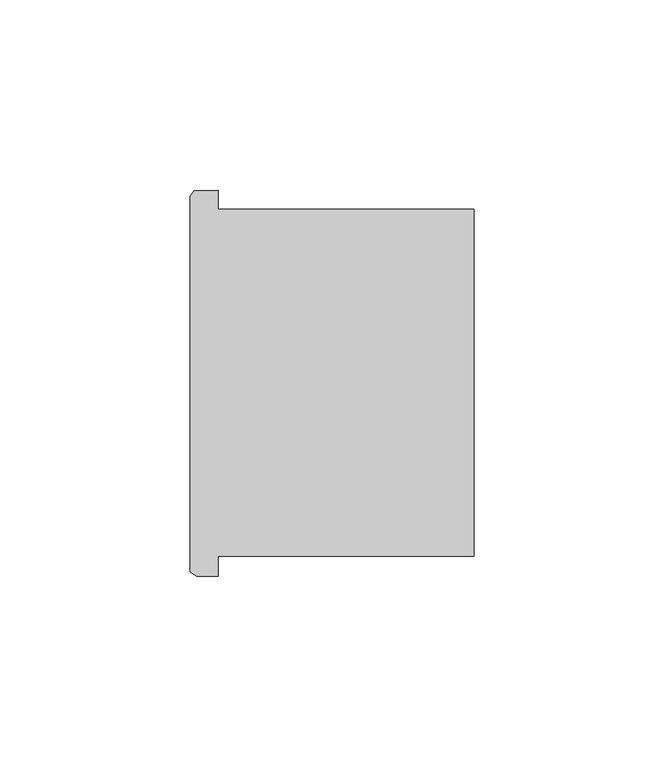
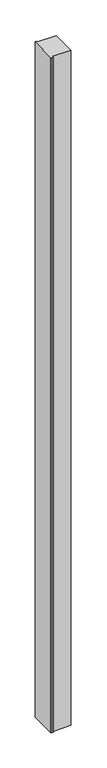
"""IFC4 building model written with IfcOpenShell, lengths in millimetres: column geometry."""

from ifc_helpers import new_model, si_unit, frame, origin, place, context, project, spatial, polyline, outline, extrude, source, transform, mapped, element, save


def column_2605b105(model_context):
    return source(origin(), model_context, "Body", "SweptSolid", [
        extrude(outline(polyline([(84638.3376572, -51474.4890752), (84638.3376572, -51479.5833246), (84705.6203522, -51479.5833246), (84705.6203522, -51570.7901526), (84638.3376572, -51570.7901526), (84638.3376572, -51576.0890752), (84632.6263656, -51576.0890752), (84630.8652312, -51574.8550416), (84630.8652312, -51476.132379), (84631.9442486, -51474.6440914), (84638.3376572, -51474.4890752)])), frame((0.0, 0.0, 4419.602032), z_axis=(0.0, 0.0, 1.0), x_axis=(1.0, 0.0, 0.0)), (0.0, 0.0, 1.0), 2590.7999488),
        extrude(outline(polyline([(84638.3376572, -51474.4890752), (84638.3376572, -51479.5833246), (84705.6203522, -51479.5833246), (84705.6203522, -51570.7901526), (84638.3376572, -51570.7901526), (84638.3376572, -51576.0890752), (84632.6263656, -51576.0890752), (84630.8652312, -51574.8550416), (84630.8652312, -51476.132379), (84631.9442486, -51474.6440914), (84638.3376572, -51474.4890752)])), frame((0.0, 0.0, 4419.602032), z_axis=(0.0, 0.0, 1.0), x_axis=(1.0, 0.0, 0.0)), (0.0, 0.0, 1.0), 2590.7999488),
    ])


if __name__ == "__main__":
    model = new_model("IFC4")
    model_context = context("Model", 3, world=origin())
    ifc_project = project(units=[si_unit("LENGTHUNIT", "METRE", prefix="MILLI")], contexts=[model_context])
    site = spatial("IfcSite", under=ifc_project)
    building = spatial("IfcBuilding", under=site)
    placement = place(None, origin())
    column_shape = column_2605b105(model_context)
    element("IfcColumn", 1, at=placement, inside=building, context=model_context, shape_type="MappedRepresentation", body=[
        mapped(column_shape, transform((0.0, 0.0, 0.0), x_axis=(1.0, 0.0, 0.0), y_axis=(0.0, 1.0, 0.0), z_axis=(0.0, 0.0, 1.0))),
    ])
    save(model, "model.ifc")
